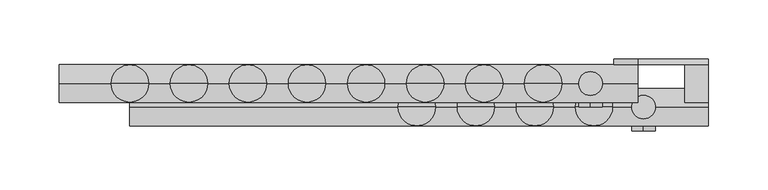
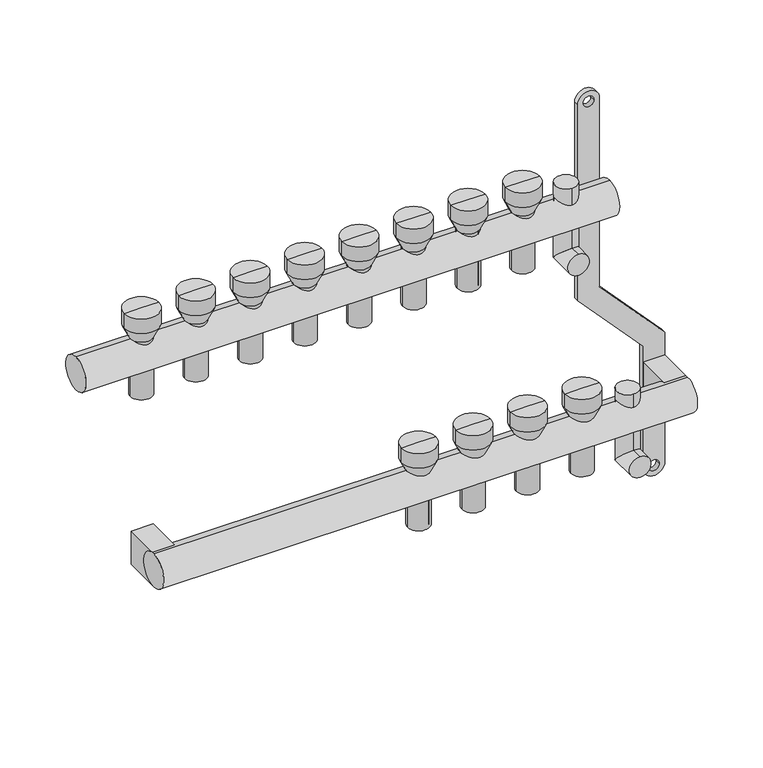
"""IFC4 building model written with IfcOpenShell, lengths in millimetres: proxy geometry."""

from ifc_helpers import new_model, si_unit, point, frame, frame_2d, origin, origin_2d, place, context, project, spatial, polyline, circle_curve, ellipse_curve, trimmed, segment, composite_curve, outline, extrude, source, transform, mapped, element, save
from ifc_brep_helpers import plane_surface, cylinder_surface, revolved_surface, advanced_brep


def mechanical_equipment_47066f5f(model_context):
    return source(origin(), model_context, "Body", "SolidModel", [
        extrude(outline(composite_curve([segment(trimmed(circle_curve(frame_2d((86.2845679, 470.0)), 10.0), [point((86.2845679, 480.0))], [point((86.2845679, 460.0))], False, "CARTESIAN"), True, "CONTINUOUS"), segment(polyline([(86.2845679, 460.0), (-103.7138261, 460.0), (-169.0329221, 520.0), (-287.9537524, 520.0)]), True, "CONTINUOUS"), segment(trimmed(circle_curve(frame_2d((-287.9537524, 530.0)), 10.0), [point((-287.9537524, 520.0))], [point((-287.9537524, 540.0))], False, "CARTESIAN"), True, "CONTINUOUS"), segment(polyline([(-287.9537524, 540.0), (-162.5345282, 540.0), (-97.2154321, 480.0), (86.2845679, 480.0)]), True, "CONTINUOUS")], self_intersect=False), holes=[composite_curve([segment(trimmed(circle_curve(frame_2d((86.2845679, 470.0)), 5.0), [point((86.2845679, 465.0))], [point((86.2845679, 475.0))], True, "CARTESIAN"), True, "CONTINUOUS"), segment(trimmed(circle_curve(frame_2d((86.2845679, 470.0)), 5.0), [point((86.2845679, 475.0))], [point((86.2845679, 465.0))], True, "CARTESIAN"), True, "CONTINUOUS")], self_intersect=False), composite_curve([segment(trimmed(circle_curve(frame_2d((-287.9537524, 530.0)), 5.0), [point((-287.9537524, 525.0))], [point((-287.9537524, 535.0))], True, "CARTESIAN"), True, "CONTINUOUS"), segment(trimmed(circle_curve(frame_2d((-287.9537524, 530.0)), 5.0), [point((-287.9537524, 535.0))], [point((-287.9537524, 525.0))], True, "CARTESIAN"), True, "CONTINUOUS")], self_intersect=False)]), frame((0.0, 16.0, 0.0), z_axis=(0.0, 1.0, 0.0), x_axis=(0.0, 0.0, 1.0)), (0.0, 0.0, 1.0), 4.847249),
        advanced_brep(
        [(485.0, -40.0, -250.0), (485.0, -40.0, -230.0), (485.0, -10.0, -250.0), (485.0, -30.0, -230.0), (485.0, -10.0, -175.079492), (485.0, -30.0, -175.079492)],
        [
            (0, 1, circle_curve(frame((485.0, -40.0, -240.0), z_axis=(0.0, -1.0, 0.0), x_axis=(0.0, 0.0, 1.0)), 10.0)),
            (1, 0, circle_curve(frame((485.0, -40.0, -240.0), z_axis=(0.0, -1.0, 0.0), x_axis=(0.0, 0.0, 1.0)), 10.0)),
            (0, 2),
            (2, 3, ellipse_curve(frame((485.0, -20.0, -240.0), z_axis=(0.0, -0.7071067811865475, -0.7071067811865475), x_axis=(0.0, -0.7071067811865476, 0.7071067811865474)), 14.1421356, 10.0)),
            (3, 1),
            (3, 2, ellipse_curve(frame((485.0, -20.0, -240.0), z_axis=(0.0, -0.7071067811865475, -0.7071067811865475), x_axis=(0.0, -0.7071067811865476, 0.7071067811865474)), 14.1421356, 10.0)),
            (4, 5, circle_curve(frame((485.0, -20.0, -175.079492), z_axis=(0.0, 0.0, 1.0), x_axis=(0.0, -1.0, 0.0)), 10.0)),
            (5, 4, circle_curve(frame((485.0, -20.0, -175.079492), z_axis=(0.0, 0.0, 1.0), x_axis=(0.0, -1.0, 0.0)), 10.0)),
            (2, 4),
            (5, 3),
        ],
        [
            plane_surface(frame((485.0, -40.0, -240.0), z_axis=(0.0, -1.0, 0.0), x_axis=(1.0, 0.0, 0.0))),
            cylinder_surface(frame((485.0, -40.0, -240.0), z_axis=(0.0, -1.0, 0.0), x_axis=(0.0, 0.0, 1.0)), 10.0),
            plane_surface(frame((485.0, -20.0, -175.079492), z_axis=(0.0, 0.0, 1.0), x_axis=(1.0, 0.0, 0.0))),
            cylinder_surface(frame((485.0, -20.0, -240.0), z_axis=(0.0, 0.0, -1.0), x_axis=(0.0, -1.0, 0.0)), 10.0),
        ],
        [
            (0, [[1, 2]]),
            (1, [[-1, 3, 4, 5]]),
            (1, [[-2, -5, 6, -3]]),
            (2, [[7, 8]]),
            (3, [[-4, 9, -8, 10]]),
            (3, [[-6, -10, -7, -9]]),
        ],
    ),
        advanced_brep(
        [(440.0, -20.0, -50.0), (440.0, -20.0, -30.0), (440.0, 10.0, -50.0), (440.0, -10.0, -30.0), (440.0, 10.0, 28.420508), (440.0, -10.0, 28.420508)],
        [
            (0, 1, circle_curve(frame((440.0, -20.0, -40.0), z_axis=(0.0, -1.0, 0.0), x_axis=(0.0, 0.0, 1.0)), 10.0)),
            (1, 0, circle_curve(frame((440.0, -20.0, -40.0), z_axis=(0.0, -1.0, 0.0), x_axis=(0.0, 0.0, 1.0)), 10.0)),
            (0, 2),
            (2, 3, ellipse_curve(frame((440.0, 0.0, -40.0), z_axis=(0.0, -0.7071067811865486, -0.7071067811865464), x_axis=(0.0, -0.7071067811865466, 0.7071067811865485)), 14.1421356, 10.0)),
            (3, 1),
            (3, 2, ellipse_curve(frame((440.0, 0.0, -40.0), z_axis=(0.0, -0.7071067811865486, -0.7071067811865464), x_axis=(0.0, -0.7071067811865466, 0.7071067811865485)), 14.1421356, 10.0)),
            (4, 5, circle_curve(frame((440.0, 0.0, 28.420508), z_axis=(0.0, 0.0, 1.0), x_axis=(0.0, -1.0, 0.0)), 10.0)),
            (5, 4, circle_curve(frame((440.0, 0.0, 28.420508), z_axis=(0.0, 0.0, 1.0), x_axis=(0.0, -1.0, 0.0)), 10.0)),
            (2, 4),
            (5, 3),
        ],
        [
            plane_surface(frame((440.0, -20.0, -40.0), z_axis=(0.0, -1.0, 0.0), x_axis=(1.0, 0.0, 0.0))),
            cylinder_surface(frame((440.0, -20.0, -40.0), z_axis=(0.0, -1.0, 0.0), x_axis=(0.0, 0.0, 1.0)), 10.0),
            plane_surface(frame((440.0, 0.0, 28.420508), z_axis=(0.0, 0.0, 1.0), x_axis=(1.0, 0.0, 0.0))),
            cylinder_surface(frame((440.0, 0.0, -40.0), z_axis=(0.0, 0.0, -1.0), x_axis=(0.0, -1.0, 0.0)), 10.0),
        ],
        [
            (0, [[1, 2]]),
            (1, [[-1, 3, 4, 5]]),
            (1, [[-2, -5, 6, -3]]),
            (2, [[7, 8]]),
            (3, [[-4, 9, -8, 10]]),
            (3, [[-6, -10, -7, -9]]),
        ],
    ),
        extrude(outline(composite_curve([segment(trimmed(circle_curve(frame_2d((-20.0, -200.0)), 16.0), [point((-20.0, -216.0))], [point((-20.0, -184.0))], False, "CARTESIAN"), True, "CONTINUOUS"), segment(trimmed(circle_curve(frame_2d((-20.0, -200.0)), 16.0), [point((-20.0, -184.0))], [point((-20.0, -216.0))], False, "CARTESIAN"), True, "CONTINUOUS")], self_intersect=False)), frame((50.0, 0.0, 0.0), z_axis=(1.0, 0.0, 0.0), x_axis=(0.0, 1.0, 0.0)), (0.0, 0.0, 1.0), 490.0),
        extrude(outline(composite_curve([segment(trimmed(circle_curve(origin_2d(), 16.0), [point((0.0, -16.0))], [point((0.0, 16.0))], False, "CARTESIAN"), True, "CONTINUOUS"), segment(trimmed(circle_curve(origin_2d(), 16.0), [point((0.0, 16.0))], [point((0.0, -16.0))], False, "CARTESIAN"), True, "CONTINUOUS")], self_intersect=False)), frame((-10.0, 0.0, 0.0), z_axis=(1.0, 0.0, 0.0), x_axis=(0.0, 1.0, 0.0)), (0.0, 0.0, 1.0), 490.0),
        extrude(outline(polyline([(540.0, 16.0), (540.0, -20.0), (520.0, -20.0), (520.0, 16.0), (540.0, 16.0)])), frame((0.0, 0.0, -216.0), z_axis=(0.0, 0.0, 1.0), x_axis=(1.0, 0.0, 0.0)), (0.0, 0.0, 1.0), 32.0),
        extrude(outline(polyline([(70.0, 16.0), (70.0, -20.0), (50.0, -20.0), (50.0, 16.0), (70.0, 16.0)])), frame((0.0, 0.0, -216.0), z_axis=(0.0, 0.0, 1.0), x_axis=(1.0, 0.0, 0.0)), (0.0, 0.0, 1.0), 32.0),
        advanced_brep(
        [(408.0, 0.0, -40.0), (392.0, 0.0, -40.0), (392.0, 0.0, 16.0), (408.0, 0.0, 16.0), (410.0, 0.0, -40.0), (390.0, 0.0, -40.0), (410.0, 0.0, 16.0), (390.0, 0.0, 16.0), (415.791778, 0.0, 28.420508), (384.208222, 0.0, 28.420508), (415.791778, 0.0, 42.4712727), (384.208222, 0.0, 42.4712727), (400.0, 0.0, 42.4712727), (400.0, 0.0, 16.0)],
        [
            (0, 1, circle_curve(frame((400.0, 0.0, -40.0), z_axis=(0.0, 0.0, -1.0), x_axis=(-1.0, 0.0, 0.0)), 8.0)),
            (1, 2),
            (2, 3, circle_curve(frame((400.0, 0.0, 16.0), z_axis=(0.0, 0.0, 1.0), x_axis=(-1.0, 0.0, 0.0)), 8.0)),
            (3, 0),
            (1, 0, circle_curve(frame((400.0, 0.0, -40.0), z_axis=(0.0, 0.0, -1.0), x_axis=(-1.0, 0.0, 0.0)), 8.0)),
            (3, 2, circle_curve(frame((400.0, 0.0, 16.0), z_axis=(0.0, 0.0, 1.0), x_axis=(-1.0, 0.0, 0.0)), 8.0)),
            (4, 5, circle_curve(frame((400.0, 0.0, -40.0), z_axis=(0.0, 0.0, -1.0), x_axis=(-1.0, 0.0, 0.0)), 10.0)),
            (5, 1),
            (0, 4),
            (5, 4, circle_curve(frame((400.0, 0.0, -40.0), z_axis=(0.0, 0.0, -1.0), x_axis=(-1.0, 0.0, 0.0)), 10.0)),
            (6, 7, circle_curve(frame((400.0, 0.0, 16.0), z_axis=(0.0, 0.0, -1.0), x_axis=(-1.0, 0.0, 0.0)), 10.0)),
            (7, 5),
            (4, 6),
            (7, 6, circle_curve(frame((400.0, 0.0, 16.0), z_axis=(0.0, 0.0, -1.0), x_axis=(-1.0, 0.0, 0.0)), 10.0)),
            (8, 9, circle_curve(frame((400.0, 0.0, 28.420508), z_axis=(0.0, 0.0, -1.0), x_axis=(-1.0, 0.0, 0.0)), 15.791778)),
            (9, 7),
            (6, 8),
            (9, 8, circle_curve(frame((400.0, 0.0, 28.420508), z_axis=(0.0, 0.0, -1.0), x_axis=(-1.0, 0.0, 0.0)), 15.791778)),
            (10, 11, circle_curve(frame((400.0, 0.0, 42.4712727), z_axis=(0.0, 0.0, -1.0), x_axis=(-1.0, 0.0, 0.0)), 15.791778)),
            (11, 9),
            (8, 10),
            (11, 10, circle_curve(frame((400.0, 0.0, 42.4712727), z_axis=(0.0, 0.0, -1.0), x_axis=(-1.0, 0.0, 0.0)), 15.791778)),
            (12, 11),
            (10, 12),
            (2, 13),
            (13, 3),
        ],
        [
            revolved_surface(polyline([(392.0, 0.0, 16.0), (392.0, 0.0, -40.0)]), (400.0, 0.0, 0.0), (0.0, 0.0, 1.0)),
            plane_surface(frame((400.0, 0.0, -40.0), z_axis=(0.0, 0.0, -1.0), x_axis=(-1.0, 0.0, 0.0))),
            cylinder_surface(frame((400.0, 0.0, 0.0), z_axis=(0.0, 0.0, 1.0), x_axis=(-1.0, 0.0, 0.0)), 10.0),
            revolved_surface(polyline([(390.0, 0.0, 16.0), (384.208222, 0.0, 28.420508)]), (400.0, 0.0, 0.0), (0.0, 0.0, 1.0)),
            cylinder_surface(frame((400.0, 0.0, 0.0), z_axis=(0.0, 0.0, 1.0), x_axis=(-1.0, 0.0, 0.0)), 15.791778),
            plane_surface(frame((400.0, 0.0, 42.4712727), z_axis=(0.0, 0.0, 1.0), x_axis=(-1.0, 0.0, 0.0))),
            plane_surface(frame((400.0, 0.0, 16.0), z_axis=(0.0, 0.0, -1.0), x_axis=(-1.0, 0.0, 0.0))),
        ],
        [
            (0, [[1, 2, 3, 4]]),
            (0, [[5, -4, 6, -2]]),
            (1, [[7, 8, -1, 9]]),
            (1, [[10, -9, -5, -8]]),
            (2, [[11, 12, -7, 13]]),
            (2, [[14, -13, -10, -12]]),
            (3, [[15, 16, -11, 17]]),
            (3, [[18, -17, -14, -16]]),
            (4, [[19, 20, -15, 21]]),
            (4, [[22, -21, -18, -20]]),
            (5, [[23, -19, 24]]),
            (5, [[-24, -22, -23]]),
            (6, [[-3, 25, 26]]),
            (6, [[-6, -26, -25]]),
        ],
    ),
        advanced_brep(
        [(358.0, 0.0, -40.0), (342.0, 0.0, -40.0), (342.0, 0.0, 16.0), (358.0, 0.0, 16.0), (360.0, 0.0, -40.0), (340.0, 0.0, -40.0), (360.0, 0.0, 16.0), (340.0, 0.0, 16.0), (365.791778, 0.0, 28.420508), (334.208222, 0.0, 28.420508), (365.791778, 0.0, 42.4712727), (334.208222, 0.0, 42.4712727), (350.0, 0.0, 42.4712727), (350.0, 0.0, 16.0)],
        [
            (0, 1, circle_curve(frame((350.0, 0.0, -40.0), z_axis=(0.0, 0.0, -1.0), x_axis=(-1.0, 0.0, 0.0)), 8.0)),
            (1, 2),
            (2, 3, circle_curve(frame((350.0, 0.0, 16.0), z_axis=(0.0, 0.0, 1.0), x_axis=(-1.0, 0.0, 0.0)), 8.0)),
            (3, 0),
            (1, 0, circle_curve(frame((350.0, 0.0, -40.0), z_axis=(0.0, 0.0, -1.0), x_axis=(-1.0, 0.0, 0.0)), 8.0)),
            (3, 2, circle_curve(frame((350.0, 0.0, 16.0), z_axis=(0.0, 0.0, 1.0), x_axis=(-1.0, 0.0, 0.0)), 8.0)),
            (4, 5, circle_curve(frame((350.0, 0.0, -40.0), z_axis=(0.0, 0.0, -1.0), x_axis=(-1.0, 0.0, 0.0)), 10.0)),
            (5, 1),
            (0, 4),
            (5, 4, circle_curve(frame((350.0, 0.0, -40.0), z_axis=(0.0, 0.0, -1.0), x_axis=(-1.0, 0.0, 0.0)), 10.0)),
            (6, 7, circle_curve(frame((350.0, 0.0, 16.0), z_axis=(0.0, 0.0, -1.0), x_axis=(-1.0, 0.0, 0.0)), 10.0)),
            (7, 5),
            (4, 6),
            (7, 6, circle_curve(frame((350.0, 0.0, 16.0), z_axis=(0.0, 0.0, -1.0), x_axis=(-1.0, 0.0, 0.0)), 10.0)),
            (8, 9, circle_curve(frame((350.0, 0.0, 28.420508), z_axis=(0.0, 0.0, -1.0), x_axis=(-1.0, 0.0, 0.0)), 15.791778)),
            (9, 7),
            (6, 8),
            (9, 8, circle_curve(frame((350.0, 0.0, 28.420508), z_axis=(0.0, 0.0, -1.0), x_axis=(-1.0, 0.0, 0.0)), 15.791778)),
            (10, 11, circle_curve(frame((350.0, 0.0, 42.4712727), z_axis=(0.0, 0.0, -1.0), x_axis=(-1.0, 0.0, 0.0)), 15.791778)),
            (11, 9),
            (8, 10),
            (11, 10, circle_curve(frame((350.0, 0.0, 42.4712727), z_axis=(0.0, 0.0, -1.0), x_axis=(-1.0, 0.0, 0.0)), 15.791778)),
            (12, 11),
            (10, 12),
            (2, 13),
            (13, 3),
        ],
        [
            revolved_surface(polyline([(342.0, 0.0, 16.0), (342.0, 0.0, -40.0)]), (350.0, 0.0, 0.0), (0.0, 0.0, 1.0)),
            plane_surface(frame((350.0, 0.0, -40.0), z_axis=(0.0, 0.0, -1.0), x_axis=(-1.0, 0.0, 0.0))),
            cylinder_surface(frame((350.0, 0.0, 0.0), z_axis=(0.0, 0.0, 1.0), x_axis=(-1.0, 0.0, 0.0)), 10.0),
            revolved_surface(polyline([(340.0, 0.0, 16.0), (334.208222, 0.0, 28.420508)]), (350.0, 0.0, 0.0), (0.0, 0.0, 1.0)),
            cylinder_surface(frame((350.0, 0.0, 0.0), z_axis=(0.0, 0.0, 1.0), x_axis=(-1.0, 0.0, 0.0)), 15.791778),
            plane_surface(frame((350.0, 0.0, 42.4712727), z_axis=(0.0, 0.0, 1.0), x_axis=(-1.0, 0.0, 0.0))),
            plane_surface(frame((350.0, 0.0, 16.0), z_axis=(0.0, 0.0, -1.0), x_axis=(-1.0, 0.0, 0.0))),
        ],
        [
            (0, [[1, 2, 3, 4]]),
            (0, [[5, -4, 6, -2]]),
            (1, [[7, 8, -1, 9]]),
            (1, [[10, -9, -5, -8]]),
            (2, [[11, 12, -7, 13]]),
            (2, [[14, -13, -10, -12]]),
            (3, [[15, 16, -11, 17]]),
            (3, [[18, -17, -14, -16]]),
            (4, [[19, 20, -15, 21]]),
            (4, [[22, -21, -18, -20]]),
            (5, [[23, -19, 24]]),
            (5, [[-24, -22, -23]]),
            (6, [[-3, 25, 26]]),
            (6, [[-6, -26, -25]]),
        ],
    ),
        advanced_brep(
        [(308.0, 0.0, -40.0), (292.0, 0.0, -40.0), (292.0, 0.0, 16.0), (308.0, 0.0, 16.0), (310.0, 0.0, -40.0), (290.0, 0.0, -40.0), (310.0, 0.0, 16.0), (290.0, 0.0, 16.0), (315.791778, 0.0, 28.420508), (284.208222, 0.0, 28.420508), (315.791778, 0.0, 42.4712727), (284.208222, 0.0, 42.4712727), (300.0, 0.0, 42.4712727), (300.0, 0.0, 16.0)],
        [
            (0, 1, circle_curve(frame((300.0, 0.0, -40.0), z_axis=(0.0, 0.0, -1.0), x_axis=(-1.0, 0.0, 0.0)), 8.0)),
            (1, 2),
            (2, 3, circle_curve(frame((300.0, 0.0, 16.0), z_axis=(0.0, 0.0, 1.0), x_axis=(-1.0, 0.0, 0.0)), 8.0)),
            (3, 0),
            (1, 0, circle_curve(frame((300.0, 0.0, -40.0), z_axis=(0.0, 0.0, -1.0), x_axis=(-1.0, 0.0, 0.0)), 8.0)),
            (3, 2, circle_curve(frame((300.0, 0.0, 16.0), z_axis=(0.0, 0.0, 1.0), x_axis=(-1.0, 0.0, 0.0)), 8.0)),
            (4, 5, circle_curve(frame((300.0, 0.0, -40.0), z_axis=(0.0, 0.0, -1.0), x_axis=(-1.0, 0.0, 0.0)), 10.0)),
            (5, 1),
            (0, 4),
            (5, 4, circle_curve(frame((300.0, 0.0, -40.0), z_axis=(0.0, 0.0, -1.0), x_axis=(-1.0, 0.0, 0.0)), 10.0)),
            (6, 7, circle_curve(frame((300.0, 0.0, 16.0), z_axis=(0.0, 0.0, -1.0), x_axis=(-1.0, 0.0, 0.0)), 10.0)),
            (7, 5),
            (4, 6),
            (7, 6, circle_curve(frame((300.0, 0.0, 16.0), z_axis=(0.0, 0.0, -1.0), x_axis=(-1.0, 0.0, 0.0)), 10.0)),
            (8, 9, circle_curve(frame((300.0, 0.0, 28.420508), z_axis=(0.0, 0.0, -1.0), x_axis=(-1.0, 0.0, 0.0)), 15.791778)),
            (9, 7),
            (6, 8),
            (9, 8, circle_curve(frame((300.0, 0.0, 28.420508), z_axis=(0.0, 0.0, -1.0), x_axis=(-1.0, 0.0, 0.0)), 15.791778)),
            (10, 11, circle_curve(frame((300.0, 0.0, 42.4712727), z_axis=(0.0, 0.0, -1.0), x_axis=(-1.0, 0.0, 0.0)), 15.791778)),
            (11, 9),
            (8, 10),
            (11, 10, circle_curve(frame((300.0, 0.0, 42.4712727), z_axis=(0.0, 0.0, -1.0), x_axis=(-1.0, 0.0, 0.0)), 15.791778)),
            (12, 11),
            (10, 12),
            (2, 13),
            (13, 3),
        ],
        [
            revolved_surface(polyline([(292.0, 0.0, 16.0), (292.0, 0.0, -40.0)]), (300.0, 0.0, 0.0), (0.0, 0.0, 1.0)),
            plane_surface(frame((300.0, 0.0, -40.0), z_axis=(0.0, 0.0, -1.0), x_axis=(-1.0, 0.0, 0.0))),
            cylinder_surface(frame((300.0, 0.0, 0.0), z_axis=(0.0, 0.0, 1.0), x_axis=(-1.0, 0.0, 0.0)), 10.0),
            revolved_surface(polyline([(290.0, 0.0, 16.0), (284.208222, 0.0, 28.420508)]), (300.0, 0.0, 0.0), (0.0, 0.0, 1.0)),
            cylinder_surface(frame((300.0, 0.0, 0.0), z_axis=(0.0, 0.0, 1.0), x_axis=(-1.0, 0.0, 0.0)), 15.791778),
            plane_surface(frame((300.0, 0.0, 42.4712727), z_axis=(0.0, 0.0, 1.0), x_axis=(-1.0, 0.0, 0.0))),
            plane_surface(frame((300.0, 0.0, 16.0), z_axis=(0.0, 0.0, -1.0), x_axis=(-1.0, 0.0, 0.0))),
        ],
        [
            (0, [[1, 2, 3, 4]]),
            (0, [[5, -4, 6, -2]]),
            (1, [[7, 8, -1, 9]]),
            (1, [[10, -9, -5, -8]]),
            (2, [[11, 12, -7, 13]]),
            (2, [[14, -13, -10, -12]]),
            (3, [[15, 16, -11, 17]]),
            (3, [[18, -17, -14, -16]]),
            (4, [[19, 20, -15, 21]]),
            (4, [[22, -21, -18, -20]]),
            (5, [[23, -19, 24]]),
            (5, [[-24, -22, -23]]),
            (6, [[-3, 25, 26]]),
            (6, [[-6, -26, -25]]),
        ],
    ),
        advanced_brep(
        [(258.0, 0.0, -40.0), (242.0, 0.0, -40.0), (242.0, 0.0, 16.0), (258.0, 0.0, 16.0), (260.0, 0.0, -40.0), (240.0, 0.0, -40.0), (260.0, 0.0, 16.0), (240.0, 0.0, 16.0), (265.791778, 0.0, 28.420508), (234.208222, 0.0, 28.420508), (265.791778, 0.0, 42.4712727), (234.208222, 0.0, 42.4712727), (250.0, 0.0, 42.4712727), (250.0, 0.0, 16.0)],
        [
            (0, 1, circle_curve(frame((250.0, 0.0, -40.0), z_axis=(0.0, 0.0, -1.0), x_axis=(-1.0, 0.0, 0.0)), 8.0)),
            (1, 2),
            (2, 3, circle_curve(frame((250.0, 0.0, 16.0), z_axis=(0.0, 0.0, 1.0), x_axis=(-1.0, 0.0, 0.0)), 8.0)),
            (3, 0),
            (1, 0, circle_curve(frame((250.0, 0.0, -40.0), z_axis=(0.0, 0.0, -1.0), x_axis=(-1.0, 0.0, 0.0)), 8.0)),
            (3, 2, circle_curve(frame((250.0, 0.0, 16.0), z_axis=(0.0, 0.0, 1.0), x_axis=(-1.0, 0.0, 0.0)), 8.0)),
            (4, 5, circle_curve(frame((250.0, 0.0, -40.0), z_axis=(0.0, 0.0, -1.0), x_axis=(-1.0, 0.0, 0.0)), 10.0)),
            (5, 1),
            (0, 4),
            (5, 4, circle_curve(frame((250.0, 0.0, -40.0), z_axis=(0.0, 0.0, -1.0), x_axis=(-1.0, 0.0, 0.0)), 10.0)),
            (6, 7, circle_curve(frame((250.0, 0.0, 16.0), z_axis=(0.0, 0.0, -1.0), x_axis=(-1.0, 0.0, 0.0)), 10.0)),
            (7, 5),
            (4, 6),
            (7, 6, circle_curve(frame((250.0, 0.0, 16.0), z_axis=(0.0, 0.0, -1.0), x_axis=(-1.0, 0.0, 0.0)), 10.0)),
            (8, 9, circle_curve(frame((250.0, 0.0, 28.420508), z_axis=(0.0, 0.0, -1.0), x_axis=(-1.0, 0.0, 0.0)), 15.791778)),
            (9, 7),
            (6, 8),
            (9, 8, circle_curve(frame((250.0, 0.0, 28.420508), z_axis=(0.0, 0.0, -1.0), x_axis=(-1.0, 0.0, 0.0)), 15.791778)),
            (10, 11, circle_curve(frame((250.0, 0.0, 42.4712727), z_axis=(0.0, 0.0, -1.0), x_axis=(-1.0, 0.0, 0.0)), 15.791778)),
            (11, 9),
            (8, 10),
            (11, 10, circle_curve(frame((250.0, 0.0, 42.4712727), z_axis=(0.0, 0.0, -1.0), x_axis=(-1.0, 0.0, 0.0)), 15.791778)),
            (12, 11),
            (10, 12),
            (2, 13),
            (13, 3),
        ],
        [
            revolved_surface(polyline([(242.0, 0.0, 16.0), (242.0, 0.0, -40.0)]), (250.0, 0.0, 0.0), (0.0, 0.0, 1.0)),
            plane_surface(frame((250.0, 0.0, -40.0), z_axis=(0.0, 0.0, -1.0), x_axis=(-1.0, 0.0, 0.0))),
            cylinder_surface(frame((250.0, 0.0, 0.0), z_axis=(0.0, 0.0, 1.0), x_axis=(-1.0, 0.0, 0.0)), 10.0),
            revolved_surface(polyline([(240.0, 0.0, 16.0), (234.208222, 0.0, 28.420508)]), (250.0, 0.0, 0.0), (0.0, 0.0, 1.0)),
            cylinder_surface(frame((250.0, 0.0, 0.0), z_axis=(0.0, 0.0, 1.0), x_axis=(-1.0, 0.0, 0.0)), 15.791778),
            plane_surface(frame((250.0, 0.0, 42.4712727), z_axis=(0.0, 0.0, 1.0), x_axis=(-1.0, 0.0, 0.0))),
            plane_surface(frame((250.0, 0.0, 16.0), z_axis=(0.0, 0.0, -1.0), x_axis=(-1.0, 0.0, 0.0))),
        ],
        [
            (0, [[1, 2, 3, 4]]),
            (0, [[5, -4, 6, -2]]),
            (1, [[7, 8, -1, 9]]),
            (1, [[10, -9, -5, -8]]),
            (2, [[11, 12, -7, 13]]),
            (2, [[14, -13, -10, -12]]),
            (3, [[15, 16, -11, 17]]),
            (3, [[18, -17, -14, -16]]),
            (4, [[19, 20, -15, 21]]),
            (4, [[22, -21, -18, -20]]),
            (5, [[23, -19, 24]]),
            (5, [[-24, -22, -23]]),
            (6, [[-3, 25, 26]]),
            (6, [[-6, -26, -25]]),
        ],
    ),
        advanced_brep(
        [(208.0, 0.0, -40.0), (192.0, 0.0, -40.0), (192.0, 0.0, 16.0), (208.0, 0.0, 16.0), (210.0, 0.0, -40.0), (190.0, 0.0, -40.0), (210.0, 0.0, 16.0), (190.0, 0.0, 16.0), (215.791778, 0.0, 28.420508), (184.208222, 0.0, 28.420508), (215.791778, 0.0, 42.4712727), (184.208222, 0.0, 42.4712727), (200.0, 0.0, 42.4712727), (200.0, 0.0, 16.0)],
        [
            (0, 1, circle_curve(frame((200.0, 0.0, -40.0), z_axis=(0.0, 0.0, -1.0), x_axis=(-1.0, 0.0, 0.0)), 8.0)),
            (1, 2),
            (2, 3, circle_curve(frame((200.0, 0.0, 16.0), z_axis=(0.0, 0.0, 1.0), x_axis=(-1.0, 0.0, 0.0)), 8.0)),
            (3, 0),
            (1, 0, circle_curve(frame((200.0, 0.0, -40.0), z_axis=(0.0, 0.0, -1.0), x_axis=(-1.0, 0.0, 0.0)), 8.0)),
            (3, 2, circle_curve(frame((200.0, 0.0, 16.0), z_axis=(0.0, 0.0, 1.0), x_axis=(-1.0, 0.0, 0.0)), 8.0)),
            (4, 5, circle_curve(frame((200.0, 0.0, -40.0), z_axis=(0.0, 0.0, -1.0), x_axis=(-1.0, 0.0, 0.0)), 10.0)),
            (5, 1),
            (0, 4),
            (5, 4, circle_curve(frame((200.0, 0.0, -40.0), z_axis=(0.0, 0.0, -1.0), x_axis=(-1.0, 0.0, 0.0)), 10.0)),
            (6, 7, circle_curve(frame((200.0, 0.0, 16.0), z_axis=(0.0, 0.0, -1.0), x_axis=(-1.0, 0.0, 0.0)), 10.0)),
            (7, 5),
            (4, 6),
            (7, 6, circle_curve(frame((200.0, 0.0, 16.0), z_axis=(0.0, 0.0, -1.0), x_axis=(-1.0, 0.0, 0.0)), 10.0)),
            (8, 9, circle_curve(frame((200.0, 0.0, 28.420508), z_axis=(0.0, 0.0, -1.0), x_axis=(-1.0, 0.0, 0.0)), 15.791778)),
            (9, 7),
            (6, 8),
            (9, 8, circle_curve(frame((200.0, 0.0, 28.420508), z_axis=(0.0, 0.0, -1.0), x_axis=(-1.0, 0.0, 0.0)), 15.791778)),
            (10, 11, circle_curve(frame((200.0, 0.0, 42.4712727), z_axis=(0.0, 0.0, -1.0), x_axis=(-1.0, 0.0, 0.0)), 15.791778)),
            (11, 9),
            (8, 10),
            (11, 10, circle_curve(frame((200.0, 0.0, 42.4712727), z_axis=(0.0, 0.0, -1.0), x_axis=(-1.0, 0.0, 0.0)), 15.791778)),
            (12, 11),
            (10, 12),
            (2, 13),
            (13, 3),
        ],
        [
            revolved_surface(polyline([(192.0, 0.0, 16.0), (192.0, 0.0, -40.0)]), (200.0, 0.0, 0.0), (0.0, 0.0, 1.0)),
            plane_surface(frame((200.0, 0.0, -40.0), z_axis=(0.0, 0.0, -1.0), x_axis=(-1.0, 0.0, 0.0))),
            cylinder_surface(frame((200.0, 0.0, 0.0), z_axis=(0.0, 0.0, 1.0), x_axis=(-1.0, 0.0, 0.0)), 10.0),
            revolved_surface(polyline([(190.0, 0.0, 16.0), (184.208222, 0.0, 28.420508)]), (200.0, 0.0, 0.0), (0.0, 0.0, 1.0)),
            cylinder_surface(frame((200.0, 0.0, 0.0), z_axis=(0.0, 0.0, 1.0), x_axis=(-1.0, 0.0, 0.0)), 15.791778),
            plane_surface(frame((200.0, 0.0, 42.4712727), z_axis=(0.0, 0.0, 1.0), x_axis=(-1.0, 0.0, 0.0))),
            plane_surface(frame((200.0, 0.0, 16.0), z_axis=(0.0, 0.0, -1.0), x_axis=(-1.0, 0.0, 0.0))),
        ],
        [
            (0, [[1, 2, 3, 4]]),
            (0, [[5, -4, 6, -2]]),
            (1, [[7, 8, -1, 9]]),
            (1, [[10, -9, -5, -8]]),
            (2, [[11, 12, -7, 13]]),
            (2, [[14, -13, -10, -12]]),
            (3, [[15, 16, -11, 17]]),
            (3, [[18, -17, -14, -16]]),
            (4, [[19, 20, -15, 21]]),
            (4, [[22, -21, -18, -20]]),
            (5, [[23, -19, 24]]),
            (5, [[-24, -22, -23]]),
            (6, [[-3, 25, 26]]),
            (6, [[-6, -26, -25]]),
        ],
    ),
        advanced_brep(
        [(158.0, 0.0, -40.0), (142.0, 0.0, -40.0), (142.0, 0.0, 16.0), (158.0, 0.0, 16.0), (160.0, 0.0, -40.0), (140.0, 0.0, -40.0), (160.0, 0.0, 16.0), (140.0, 0.0, 16.0), (165.791778, 0.0, 28.420508), (134.208222, 0.0, 28.420508), (165.791778, 0.0, 42.4712727), (134.208222, 0.0, 42.4712727), (150.0, 0.0, 42.4712727), (150.0, 0.0, 16.0)],
        [
            (0, 1, circle_curve(frame((150.0, 0.0, -40.0), z_axis=(0.0, 0.0, -1.0), x_axis=(-1.0, 0.0, 0.0)), 8.0)),
            (1, 2),
            (2, 3, circle_curve(frame((150.0, 0.0, 16.0), z_axis=(0.0, 0.0, 1.0), x_axis=(-1.0, 0.0, 0.0)), 8.0)),
            (3, 0),
            (1, 0, circle_curve(frame((150.0, 0.0, -40.0), z_axis=(0.0, 0.0, -1.0), x_axis=(-1.0, 0.0, 0.0)), 8.0)),
            (3, 2, circle_curve(frame((150.0, 0.0, 16.0), z_axis=(0.0, 0.0, 1.0), x_axis=(-1.0, 0.0, 0.0)), 8.0)),
            (4, 5, circle_curve(frame((150.0, 0.0, -40.0), z_axis=(0.0, 0.0, -1.0), x_axis=(-1.0, 0.0, 0.0)), 10.0)),
            (5, 1),
            (0, 4),
            (5, 4, circle_curve(frame((150.0, 0.0, -40.0), z_axis=(0.0, 0.0, -1.0), x_axis=(-1.0, 0.0, 0.0)), 10.0)),
            (6, 7, circle_curve(frame((150.0, 0.0, 16.0), z_axis=(0.0, 0.0, -1.0), x_axis=(-1.0, 0.0, 0.0)), 10.0)),
            (7, 5),
            (4, 6),
            (7, 6, circle_curve(frame((150.0, 0.0, 16.0), z_axis=(0.0, 0.0, -1.0), x_axis=(-1.0, 0.0, 0.0)), 10.0)),
            (8, 9, circle_curve(frame((150.0, 0.0, 28.420508), z_axis=(0.0, 0.0, -1.0), x_axis=(-1.0, 0.0, 0.0)), 15.791778)),
            (9, 7),
            (6, 8),
            (9, 8, circle_curve(frame((150.0, 0.0, 28.420508), z_axis=(0.0, 0.0, -1.0), x_axis=(-1.0, 0.0, 0.0)), 15.791778)),
            (10, 11, circle_curve(frame((150.0, 0.0, 42.4712727), z_axis=(0.0, 0.0, -1.0), x_axis=(-1.0, 0.0, 0.0)), 15.791778)),
            (11, 9),
            (8, 10),
            (11, 10, circle_curve(frame((150.0, 0.0, 42.4712727), z_axis=(0.0, 0.0, -1.0), x_axis=(-1.0, 0.0, 0.0)), 15.791778)),
            (12, 11),
            (10, 12),
            (2, 13),
            (13, 3),
        ],
        [
            revolved_surface(polyline([(142.0, 0.0, 16.0), (142.0, 0.0, -40.0)]), (150.0, 0.0, 0.0), (0.0, 0.0, 1.0)),
            plane_surface(frame((150.0, 0.0, -40.0), z_axis=(0.0, 0.0, -1.0), x_axis=(-1.0, 0.0, 0.0))),
            cylinder_surface(frame((150.0, 0.0, 0.0), z_axis=(0.0, 0.0, 1.0), x_axis=(-1.0, 0.0, 0.0)), 10.0),
            revolved_surface(polyline([(140.0, 0.0, 16.0), (134.208222, 0.0, 28.420508)]), (150.0, 0.0, 0.0), (0.0, 0.0, 1.0)),
            cylinder_surface(frame((150.0, 0.0, 0.0), z_axis=(0.0, 0.0, 1.0), x_axis=(-1.0, 0.0, 0.0)), 15.791778),
            plane_surface(frame((150.0, 0.0, 42.4712727), z_axis=(0.0, 0.0, 1.0), x_axis=(-1.0, 0.0, 0.0))),
            plane_surface(frame((150.0, 0.0, 16.0), z_axis=(0.0, 0.0, -1.0), x_axis=(-1.0, 0.0, 0.0))),
        ],
        [
            (0, [[1, 2, 3, 4]]),
            (0, [[5, -4, 6, -2]]),
            (1, [[7, 8, -1, 9]]),
            (1, [[10, -9, -5, -8]]),
            (2, [[11, 12, -7, 13]]),
            (2, [[14, -13, -10, -12]]),
            (3, [[15, 16, -11, 17]]),
            (3, [[18, -17, -14, -16]]),
            (4, [[19, 20, -15, 21]]),
            (4, [[22, -21, -18, -20]]),
            (5, [[23, -19, 24]]),
            (5, [[-24, -22, -23]]),
            (6, [[-3, 25, 26]]),
            (6, [[-6, -26, -25]]),
        ],
    ),
        advanced_brep(
        [(108.0, 0.0, -40.0), (92.0, 0.0, -40.0), (92.0, 0.0, 16.0), (108.0, 0.0, 16.0), (110.0, 0.0, -40.0), (90.0, 0.0, -40.0), (110.0, 0.0, 16.0), (90.0, 0.0, 16.0), (115.791778, 0.0, 28.420508), (84.208222, 0.0, 28.420508), (115.791778, 0.0, 42.4712727), (84.208222, 0.0, 42.4712727), (100.0, 0.0, 42.4712727), (100.0, 0.0, 16.0)],
        [
            (0, 1, circle_curve(frame((100.0, 0.0, -40.0), z_axis=(0.0, 0.0, -1.0), x_axis=(-1.0, 0.0, 0.0)), 8.0)),
            (1, 2),
            (2, 3, circle_curve(frame((100.0, 0.0, 16.0), z_axis=(0.0, 0.0, 1.0), x_axis=(-1.0, 0.0, 0.0)), 8.0)),
            (3, 0),
            (1, 0, circle_curve(frame((100.0, 0.0, -40.0), z_axis=(0.0, 0.0, -1.0), x_axis=(-1.0, 0.0, 0.0)), 8.0)),
            (3, 2, circle_curve(frame((100.0, 0.0, 16.0), z_axis=(0.0, 0.0, 1.0), x_axis=(-1.0, 0.0, 0.0)), 8.0)),
            (4, 5, circle_curve(frame((100.0, 0.0, -40.0), z_axis=(0.0, 0.0, -1.0), x_axis=(-1.0, 0.0, 0.0)), 10.0)),
            (5, 1),
            (0, 4),
            (5, 4, circle_curve(frame((100.0, 0.0, -40.0), z_axis=(0.0, 0.0, -1.0), x_axis=(-1.0, 0.0, 0.0)), 10.0)),
            (6, 7, circle_curve(frame((100.0, 0.0, 16.0), z_axis=(0.0, 0.0, -1.0), x_axis=(-1.0, 0.0, 0.0)), 10.0)),
            (7, 5),
            (4, 6),
            (7, 6, circle_curve(frame((100.0, 0.0, 16.0), z_axis=(0.0, 0.0, -1.0), x_axis=(-1.0, 0.0, 0.0)), 10.0)),
            (8, 9, circle_curve(frame((100.0, 0.0, 28.420508), z_axis=(0.0, 0.0, -1.0), x_axis=(-1.0, 0.0, 0.0)), 15.791778)),
            (9, 7),
            (6, 8),
            (9, 8, circle_curve(frame((100.0, 0.0, 28.420508), z_axis=(0.0, 0.0, -1.0), x_axis=(-1.0, 0.0, 0.0)), 15.791778)),
            (10, 11, circle_curve(frame((100.0, 0.0, 42.4712727), z_axis=(0.0, 0.0, -1.0), x_axis=(-1.0, 0.0, 0.0)), 15.791778)),
            (11, 9),
            (8, 10),
            (11, 10, circle_curve(frame((100.0, 0.0, 42.4712727), z_axis=(0.0, 0.0, -1.0), x_axis=(-1.0, 0.0, 0.0)), 15.791778)),
            (12, 11),
            (10, 12),
            (2, 13),
            (13, 3),
        ],
        [
            revolved_surface(polyline([(92.0, 0.0, 16.0), (92.0, 0.0, -40.0)]), (100.0, 0.0, 0.0), (0.0, 0.0, 1.0)),
            plane_surface(frame((100.0, 0.0, -40.0), z_axis=(0.0, 0.0, -1.0), x_axis=(-1.0, 0.0, 0.0))),
            cylinder_surface(frame((100.0, 0.0, 0.0), z_axis=(0.0, 0.0, 1.0), x_axis=(-1.0, 0.0, 0.0)), 10.0),
            revolved_surface(polyline([(90.0, 0.0, 16.0), (84.208222, 0.0, 28.420508)]), (100.0, 0.0, 0.0), (0.0, 0.0, 1.0)),
            cylinder_surface(frame((100.0, 0.0, 0.0), z_axis=(0.0, 0.0, 1.0), x_axis=(-1.0, 0.0, 0.0)), 15.791778),
            plane_surface(frame((100.0, 0.0, 42.4712727), z_axis=(0.0, 0.0, 1.0), x_axis=(-1.0, 0.0, 0.0))),
            plane_surface(frame((100.0, 0.0, 16.0), z_axis=(0.0, 0.0, -1.0), x_axis=(-1.0, 0.0, 0.0))),
        ],
        [
            (0, [[1, 2, 3, 4]]),
            (0, [[5, -4, 6, -2]]),
            (1, [[7, 8, -1, 9]]),
            (1, [[10, -9, -5, -8]]),
            (2, [[11, 12, -7, 13]]),
            (2, [[14, -13, -10, -12]]),
            (3, [[15, 16, -11, 17]]),
            (3, [[18, -17, -14, -16]]),
            (4, [[19, 20, -15, 21]]),
            (4, [[22, -21, -18, -20]]),
            (5, [[23, -19, 24]]),
            (5, [[-24, -22, -23]]),
            (6, [[-3, 25, 26]]),
            (6, [[-6, -26, -25]]),
        ],
    ),
        advanced_brep(
        [(58.0, 0.0, -40.0), (42.0, 0.0, -40.0), (42.0, 0.0, 16.0), (58.0, 0.0, 16.0), (60.0, 0.0, -40.0), (40.0, 0.0, -40.0), (60.0, 0.0, 16.0), (40.0, 0.0, 16.0), (65.791778, 0.0, 28.420508), (34.208222, 0.0, 28.420508), (65.791778, 0.0, 42.4712727), (34.208222, 0.0, 42.4712727), (50.0, 0.0, 42.4712727), (50.0, 0.0, 16.0)],
        [
            (0, 1, circle_curve(frame((50.0, 0.0, -40.0), z_axis=(0.0, 0.0, -1.0), x_axis=(-1.0, 0.0, 0.0)), 8.0)),
            (1, 2),
            (2, 3, circle_curve(frame((50.0, 0.0, 16.0), z_axis=(0.0, 0.0, 1.0), x_axis=(-1.0, 0.0, 0.0)), 8.0)),
            (3, 0),
            (1, 0, circle_curve(frame((50.0, 0.0, -40.0), z_axis=(0.0, 0.0, -1.0), x_axis=(-1.0, 0.0, 0.0)), 8.0)),
            (3, 2, circle_curve(frame((50.0, 0.0, 16.0), z_axis=(0.0, 0.0, 1.0), x_axis=(-1.0, 0.0, 0.0)), 8.0)),
            (4, 5, circle_curve(frame((50.0, 0.0, -40.0), z_axis=(0.0, 0.0, -1.0), x_axis=(-1.0, 0.0, 0.0)), 10.0)),
            (5, 1),
            (0, 4),
            (5, 4, circle_curve(frame((50.0, 0.0, -40.0), z_axis=(0.0, 0.0, -1.0), x_axis=(-1.0, 0.0, 0.0)), 10.0)),
            (6, 7, circle_curve(frame((50.0, 0.0, 16.0), z_axis=(0.0, 0.0, -1.0), x_axis=(-1.0, 0.0, 0.0)), 10.0)),
            (7, 5),
            (4, 6),
            (7, 6, circle_curve(frame((50.0, 0.0, 16.0), z_axis=(0.0, 0.0, -1.0), x_axis=(-1.0, 0.0, 0.0)), 10.0)),
            (8, 9, circle_curve(frame((50.0, 0.0, 28.420508), z_axis=(0.0, 0.0, -1.0), x_axis=(-1.0, 0.0, 0.0)), 15.791778)),
            (9, 7),
            (6, 8),
            (9, 8, circle_curve(frame((50.0, 0.0, 28.420508), z_axis=(0.0, 0.0, -1.0), x_axis=(-1.0, 0.0, 0.0)), 15.791778)),
            (10, 11, circle_curve(frame((50.0, 0.0, 42.4712727), z_axis=(0.0, 0.0, -1.0), x_axis=(-1.0, 0.0, 0.0)), 15.791778)),
            (11, 9),
            (8, 10),
            (11, 10, circle_curve(frame((50.0, 0.0, 42.4712727), z_axis=(0.0, 0.0, -1.0), x_axis=(-1.0, 0.0, 0.0)), 15.791778)),
            (12, 11),
            (10, 12),
            (2, 13),
            (13, 3),
        ],
        [
            revolved_surface(polyline([(42.0, 0.0, 16.0), (42.0, 0.0, -40.0)]), (50.0, 0.0, 0.0), (0.0, 0.0, 1.0)),
            plane_surface(frame((50.0, 0.0, -40.0), z_axis=(0.0, 0.0, -1.0), x_axis=(-1.0, 0.0, 0.0))),
            cylinder_surface(frame((50.0, 0.0, 0.0), z_axis=(0.0, 0.0, 1.0), x_axis=(-1.0, 0.0, 0.0)), 10.0),
            revolved_surface(polyline([(40.0, 0.0, 16.0), (34.208222, 0.0, 28.420508)]), (50.0, 0.0, 0.0), (0.0, 0.0, 1.0)),
            cylinder_surface(frame((50.0, 0.0, 0.0), z_axis=(0.0, 0.0, 1.0), x_axis=(-1.0, 0.0, 0.0)), 15.791778),
            plane_surface(frame((50.0, 0.0, 42.4712727), z_axis=(0.0, 0.0, 1.0), x_axis=(-1.0, 0.0, 0.0))),
            plane_surface(frame((50.0, 0.0, 16.0), z_axis=(0.0, 0.0, -1.0), x_axis=(-1.0, 0.0, 0.0))),
        ],
        [
            (0, [[1, 2, 3, 4]]),
            (0, [[5, -4, 6, -2]]),
            (1, [[7, 8, -1, 9]]),
            (1, [[10, -9, -5, -8]]),
            (2, [[11, 12, -7, 13]]),
            (2, [[14, -13, -10, -12]]),
            (3, [[15, 16, -11, 17]]),
            (3, [[18, -17, -14, -16]]),
            (4, [[19, 20, -15, 21]]),
            (4, [[22, -21, -18, -20]]),
            (5, [[23, -19, 24]]),
            (5, [[-24, -22, -23]]),
            (6, [[-3, 25, 26]]),
            (6, [[-6, -26, -25]]),
        ],
    ),
        advanced_brep(
        [(451.0, -20.0, -240.0), (435.0, -20.0, -240.0), (435.0, -20.0, -187.5), (451.0, -20.0, -187.5), (453.0, -20.0, -240.0), (433.0, -20.0, -240.0), (453.0, -20.0, -187.5), (433.0, -20.0, -187.5), (458.791778, -20.0, -175.079492), (427.208222, -20.0, -175.079492), (458.791778, -20.0, -161.0287273), (427.208222, -20.0, -161.0287273), (443.0, -20.0, -161.0287273), (443.0, -20.0, -187.5)],
        [
            (0, 1, circle_curve(frame((443.0, -20.0, -240.0), z_axis=(0.0, 0.0, -1.0), x_axis=(-1.0, 0.0, 0.0)), 8.0)),
            (1, 2),
            (2, 3, circle_curve(frame((443.0, -20.0, -187.5), z_axis=(0.0, 0.0, 1.0), x_axis=(-1.0, 0.0, 0.0)), 8.0)),
            (3, 0),
            (1, 0, circle_curve(frame((443.0, -20.0, -240.0), z_axis=(0.0, 0.0, -1.0), x_axis=(-1.0, 0.0, 0.0)), 8.0)),
            (3, 2, circle_curve(frame((443.0, -20.0, -187.5), z_axis=(0.0, 0.0, 1.0), x_axis=(-1.0, 0.0, 0.0)), 8.0)),
            (4, 5, circle_curve(frame((443.0, -20.0, -240.0), z_axis=(0.0, 0.0, -1.0), x_axis=(-1.0, 0.0, 0.0)), 10.0)),
            (5, 1),
            (0, 4),
            (5, 4, circle_curve(frame((443.0, -20.0, -240.0), z_axis=(0.0, 0.0, -1.0), x_axis=(-1.0, 0.0, 0.0)), 10.0)),
            (6, 7, circle_curve(frame((443.0, -20.0, -187.5), z_axis=(0.0, 0.0, -1.0), x_axis=(-1.0, 0.0, 0.0)), 10.0)),
            (7, 5),
            (4, 6),
            (7, 6, circle_curve(frame((443.0, -20.0, -187.5), z_axis=(0.0, 0.0, -1.0), x_axis=(-1.0, 0.0, 0.0)), 10.0)),
            (8, 9, circle_curve(frame((443.0, -20.0, -175.079492), z_axis=(0.0, 0.0, -1.0), x_axis=(-1.0, 0.0, 0.0)), 15.791778)),
            (9, 7),
            (6, 8),
            (9, 8, circle_curve(frame((443.0, -20.0, -175.079492), z_axis=(0.0, 0.0, -1.0), x_axis=(-1.0, 0.0, 0.0)), 15.791778)),
            (10, 11, circle_curve(frame((443.0, -20.0, -161.0287273), z_axis=(0.0, 0.0, -1.0), x_axis=(-1.0, 0.0, 0.0)), 15.791778)),
            (11, 9),
            (8, 10),
            (11, 10, circle_curve(frame((443.0, -20.0, -161.0287273), z_axis=(0.0, 0.0, -1.0), x_axis=(-1.0, 0.0, 0.0)), 15.791778)),
            (12, 11),
            (10, 12),
            (2, 13),
            (13, 3),
        ],
        [
            revolved_surface(polyline([(435.0, -20.0, -187.5), (435.0, -20.0, -240.0)]), (443.0, -20.0, -200.0), (0.0, 0.0, 1.0)),
            plane_surface(frame((443.0, -20.0, -240.0), z_axis=(0.0, 0.0, -1.0), x_axis=(-1.0, 0.0, 0.0))),
            cylinder_surface(frame((443.0, -20.0, -200.0), z_axis=(0.0, 0.0, 1.0), x_axis=(-1.0, 0.0, 0.0)), 10.0),
            revolved_surface(polyline([(433.0, -20.0, -187.5), (427.208222, -20.0, -175.079492)]), (443.0, -20.0, -200.0), (0.0, 0.0, 1.0)),
            cylinder_surface(frame((443.0, -20.0, -200.0), z_axis=(0.0, 0.0, 1.0), x_axis=(-1.0, 0.0, 0.0)), 15.791778),
            plane_surface(frame((443.0, -20.0, -161.0287273), z_axis=(0.0, 0.0, 1.0), x_axis=(-1.0, 0.0, 0.0))),
            plane_surface(frame((443.0, -20.0, -187.5), z_axis=(0.0, 0.0, -1.0), x_axis=(-1.0, 0.0, 0.0))),
        ],
        [
            (0, [[1, 2, 3, 4]]),
            (0, [[5, -4, 6, -2]]),
            (1, [[7, 8, -1, 9]]),
            (1, [[10, -9, -5, -8]]),
            (2, [[11, 12, -7, 13]]),
            (2, [[14, -13, -10, -12]]),
            (3, [[15, 16, -11, 17]]),
            (3, [[18, -17, -14, -16]]),
            (4, [[19, 20, -15, 21]]),
            (4, [[22, -21, -18, -20]]),
            (5, [[23, -19, 24]]),
            (5, [[-24, -22, -23]]),
            (6, [[-3, 25, 26]]),
            (6, [[-6, -26, -25]]),
        ],
    ),
        advanced_brep(
        [(401.0, -20.0, -240.0), (385.0, -20.0, -240.0), (385.0, -20.0, -187.5), (401.0, -20.0, -187.5), (403.0, -20.0, -240.0), (383.0, -20.0, -240.0), (403.0, -20.0, -187.5), (383.0, -20.0, -187.5), (408.791778, -20.0, -175.079492), (377.208222, -20.0, -175.079492), (408.791778, -20.0, -161.0287273), (377.208222, -20.0, -161.0287273), (393.0, -20.0, -161.0287273), (393.0, -20.0, -187.5)],
        [
            (0, 1, circle_curve(frame((393.0, -20.0, -240.0), z_axis=(0.0, 0.0, -1.0), x_axis=(-1.0, 0.0, 0.0)), 8.0)),
            (1, 2),
            (2, 3, circle_curve(frame((393.0, -20.0, -187.5), z_axis=(0.0, 0.0, 1.0), x_axis=(-1.0, 0.0, 0.0)), 8.0)),
            (3, 0),
            (1, 0, circle_curve(frame((393.0, -20.0, -240.0), z_axis=(0.0, 0.0, -1.0), x_axis=(-1.0, 0.0, 0.0)), 8.0)),
            (3, 2, circle_curve(frame((393.0, -20.0, -187.5), z_axis=(0.0, 0.0, 1.0), x_axis=(-1.0, 0.0, 0.0)), 8.0)),
            (4, 5, circle_curve(frame((393.0, -20.0, -240.0), z_axis=(0.0, 0.0, -1.0), x_axis=(-1.0, 0.0, 0.0)), 10.0)),
            (5, 1),
            (0, 4),
            (5, 4, circle_curve(frame((393.0, -20.0, -240.0), z_axis=(0.0, 0.0, -1.0), x_axis=(-1.0, 0.0, 0.0)), 10.0)),
            (6, 7, circle_curve(frame((393.0, -20.0, -187.5), z_axis=(0.0, 0.0, -1.0), x_axis=(-1.0, 0.0, 0.0)), 10.0)),
            (7, 5),
            (4, 6),
            (7, 6, circle_curve(frame((393.0, -20.0, -187.5), z_axis=(0.0, 0.0, -1.0), x_axis=(-1.0, 0.0, 0.0)), 10.0)),
            (8, 9, circle_curve(frame((393.0, -20.0, -175.079492), z_axis=(0.0, 0.0, -1.0), x_axis=(-1.0, 0.0, 0.0)), 15.791778)),
            (9, 7),
            (6, 8),
            (9, 8, circle_curve(frame((393.0, -20.0, -175.079492), z_axis=(0.0, 0.0, -1.0), x_axis=(-1.0, 0.0, 0.0)), 15.791778)),
            (10, 11, circle_curve(frame((393.0, -20.0, -161.0287273), z_axis=(0.0, 0.0, -1.0), x_axis=(-1.0, 0.0, 0.0)), 15.791778)),
            (11, 9),
            (8, 10),
            (11, 10, circle_curve(frame((393.0, -20.0, -161.0287273), z_axis=(0.0, 0.0, -1.0), x_axis=(-1.0, 0.0, 0.0)), 15.791778)),
            (12, 11),
            (10, 12),
            (2, 13),
            (13, 3),
        ],
        [
            revolved_surface(polyline([(385.0, -20.0, -187.5), (385.0, -20.0, -240.0)]), (393.0, -20.0, -200.0), (0.0, 0.0, 1.0)),
            plane_surface(frame((393.0, -20.0, -240.0), z_axis=(0.0, 0.0, -1.0), x_axis=(-1.0, 0.0, 0.0))),
            cylinder_surface(frame((393.0, -20.0, -200.0), z_axis=(0.0, 0.0, 1.0), x_axis=(-1.0, 0.0, 0.0)), 10.0),
            revolved_surface(polyline([(383.0, -20.0, -187.5), (377.208222, -20.0, -175.079492)]), (393.0, -20.0, -200.0), (0.0, 0.0, 1.0)),
            cylinder_surface(frame((393.0, -20.0, -200.0), z_axis=(0.0, 0.0, 1.0), x_axis=(-1.0, 0.0, 0.0)), 15.791778),
            plane_surface(frame((393.0, -20.0, -161.0287273), z_axis=(0.0, 0.0, 1.0), x_axis=(-1.0, 0.0, 0.0))),
            plane_surface(frame((393.0, -20.0, -187.5), z_axis=(0.0, 0.0, -1.0), x_axis=(-1.0, 0.0, 0.0))),
        ],
        [
            (0, [[1, 2, 3, 4]]),
            (0, [[5, -4, 6, -2]]),
            (1, [[7, 8, -1, 9]]),
            (1, [[10, -9, -5, -8]]),
            (2, [[11, 12, -7, 13]]),
            (2, [[14, -13, -10, -12]]),
            (3, [[15, 16, -11, 17]]),
            (3, [[18, -17, -14, -16]]),
            (4, [[19, 20, -15, 21]]),
            (4, [[22, -21, -18, -20]]),
            (5, [[23, -19, 24]]),
            (5, [[-24, -22, -23]]),
            (6, [[-3, 25, 26]]),
            (6, [[-6, -26, -25]]),
        ],
    ),
        advanced_brep(
        [(351.0, -20.0, -240.0), (335.0, -20.0, -240.0), (335.0, -20.0, -187.5), (351.0, -20.0, -187.5), (353.0, -20.0, -240.0), (333.0, -20.0, -240.0), (353.0, -20.0, -187.5), (333.0, -20.0, -187.5), (358.791778, -20.0, -175.079492), (327.208222, -20.0, -175.079492), (358.791778, -20.0, -161.0287273), (327.208222, -20.0, -161.0287273), (343.0, -20.0, -161.0287273), (343.0, -20.0, -187.5)],
        [
            (0, 1, circle_curve(frame((343.0, -20.0, -240.0), z_axis=(0.0, 0.0, -1.0), x_axis=(-1.0, 0.0, 0.0)), 8.0)),
            (1, 2),
            (2, 3, circle_curve(frame((343.0, -20.0, -187.5), z_axis=(0.0, 0.0, 1.0), x_axis=(-1.0, 0.0, 0.0)), 8.0)),
            (3, 0),
            (1, 0, circle_curve(frame((343.0, -20.0, -240.0), z_axis=(0.0, 0.0, -1.0), x_axis=(-1.0, 0.0, 0.0)), 8.0)),
            (3, 2, circle_curve(frame((343.0, -20.0, -187.5), z_axis=(0.0, 0.0, 1.0), x_axis=(-1.0, 0.0, 0.0)), 8.0)),
            (4, 5, circle_curve(frame((343.0, -20.0, -240.0), z_axis=(0.0, 0.0, -1.0), x_axis=(-1.0, 0.0, 0.0)), 10.0)),
            (5, 1),
            (0, 4),
            (5, 4, circle_curve(frame((343.0, -20.0, -240.0), z_axis=(0.0, 0.0, -1.0), x_axis=(-1.0, 0.0, 0.0)), 10.0)),
            (6, 7, circle_curve(frame((343.0, -20.0, -187.5), z_axis=(0.0, 0.0, -1.0), x_axis=(-1.0, 0.0, 0.0)), 10.0)),
            (7, 5),
            (4, 6),
            (7, 6, circle_curve(frame((343.0, -20.0, -187.5), z_axis=(0.0, 0.0, -1.0), x_axis=(-1.0, 0.0, 0.0)), 10.0)),
            (8, 9, circle_curve(frame((343.0, -20.0, -175.079492), z_axis=(0.0, 0.0, -1.0), x_axis=(-1.0, 0.0, 0.0)), 15.791778)),
            (9, 7),
            (6, 8),
            (9, 8, circle_curve(frame((343.0, -20.0, -175.079492), z_axis=(0.0, 0.0, -1.0), x_axis=(-1.0, 0.0, 0.0)), 15.791778)),
            (10, 11, circle_curve(frame((343.0, -20.0, -161.0287273), z_axis=(0.0, 0.0, -1.0), x_axis=(-1.0, 0.0, 0.0)), 15.791778)),
            (11, 9),
            (8, 10),
            (11, 10, circle_curve(frame((343.0, -20.0, -161.0287273), z_axis=(0.0, 0.0, -1.0), x_axis=(-1.0, 0.0, 0.0)), 15.791778)),
            (12, 11),
            (10, 12),
            (2, 13),
            (13, 3),
        ],
        [
            revolved_surface(polyline([(335.0, -20.0, -187.5), (335.0, -20.0, -240.0)]), (343.0, -20.0, -200.0), (0.0, 0.0, 1.0)),
            plane_surface(frame((343.0, -20.0, -240.0), z_axis=(0.0, 0.0, -1.0), x_axis=(-1.0, 0.0, 0.0))),
            cylinder_surface(frame((343.0, -20.0, -200.0), z_axis=(0.0, 0.0, 1.0), x_axis=(-1.0, 0.0, 0.0)), 10.0),
            revolved_surface(polyline([(333.0, -20.0, -187.5), (327.208222, -20.0, -175.079492)]), (343.0, -20.0, -200.0), (0.0, 0.0, 1.0)),
            cylinder_surface(frame((343.0, -20.0, -200.0), z_axis=(0.0, 0.0, 1.0), x_axis=(-1.0, 0.0, 0.0)), 15.791778),
            plane_surface(frame((343.0, -20.0, -161.0287273), z_axis=(0.0, 0.0, 1.0), x_axis=(-1.0, 0.0, 0.0))),
            plane_surface(frame((343.0, -20.0, -187.5), z_axis=(0.0, 0.0, -1.0), x_axis=(-1.0, 0.0, 0.0))),
        ],
        [
            (0, [[1, 2, 3, 4]]),
            (0, [[5, -4, 6, -2]]),
            (1, [[7, 8, -1, 9]]),
            (1, [[10, -9, -5, -8]]),
            (2, [[11, 12, -7, 13]]),
            (2, [[14, -13, -10, -12]]),
            (3, [[15, 16, -11, 17]]),
            (3, [[18, -17, -14, -16]]),
            (4, [[19, 20, -15, 21]]),
            (4, [[22, -21, -18, -20]]),
            (5, [[23, -19, 24]]),
            (5, [[-24, -22, -23]]),
            (6, [[-3, 25, 26]]),
            (6, [[-6, -26, -25]]),
        ],
    ),
        advanced_brep(
        [(301.0, -20.0, -240.0), (285.0, -20.0, -240.0), (285.0, -20.0, -187.5), (301.0, -20.0, -187.5), (303.0, -20.0, -240.0), (283.0, -20.0, -240.0), (303.0, -20.0, -187.5), (283.0, -20.0, -187.5), (308.791778, -20.0, -175.079492), (277.208222, -20.0, -175.079492), (308.791778, -20.0, -161.0287273), (277.208222, -20.0, -161.0287273), (293.0, -20.0, -161.0287273), (293.0, -20.0, -187.5)],
        [
            (0, 1, circle_curve(frame((293.0, -20.0, -240.0), z_axis=(0.0, 0.0, -1.0), x_axis=(-1.0, 0.0, 0.0)), 8.0)),
            (1, 2),
            (2, 3, circle_curve(frame((293.0, -20.0, -187.5), z_axis=(0.0, 0.0, 1.0), x_axis=(-1.0, 0.0, 0.0)), 8.0)),
            (3, 0),
            (1, 0, circle_curve(frame((293.0, -20.0, -240.0), z_axis=(0.0, 0.0, -1.0), x_axis=(-1.0, 0.0, 0.0)), 8.0)),
            (3, 2, circle_curve(frame((293.0, -20.0, -187.5), z_axis=(0.0, 0.0, 1.0), x_axis=(-1.0, 0.0, 0.0)), 8.0)),
            (4, 5, circle_curve(frame((293.0, -20.0, -240.0), z_axis=(0.0, 0.0, -1.0), x_axis=(-1.0, 0.0, 0.0)), 10.0)),
            (5, 1),
            (0, 4),
            (5, 4, circle_curve(frame((293.0, -20.0, -240.0), z_axis=(0.0, 0.0, -1.0), x_axis=(-1.0, 0.0, 0.0)), 10.0)),
            (6, 7, circle_curve(frame((293.0, -20.0, -187.5), z_axis=(0.0, 0.0, -1.0), x_axis=(-1.0, 0.0, 0.0)), 10.0)),
            (7, 5),
            (4, 6),
            (7, 6, circle_curve(frame((293.0, -20.0, -187.5), z_axis=(0.0, 0.0, -1.0), x_axis=(-1.0, 0.0, 0.0)), 10.0)),
            (8, 9, circle_curve(frame((293.0, -20.0, -175.079492), z_axis=(0.0, 0.0, -1.0), x_axis=(-1.0, 0.0, 0.0)), 15.791778)),
            (9, 7),
            (6, 8),
            (9, 8, circle_curve(frame((293.0, -20.0, -175.079492), z_axis=(0.0, 0.0, -1.0), x_axis=(-1.0, 0.0, 0.0)), 15.791778)),
            (10, 11, circle_curve(frame((293.0, -20.0, -161.0287273), z_axis=(0.0, 0.0, -1.0), x_axis=(-1.0, 0.0, 0.0)), 15.791778)),
            (11, 9),
            (8, 10),
            (11, 10, circle_curve(frame((293.0, -20.0, -161.0287273), z_axis=(0.0, 0.0, -1.0), x_axis=(-1.0, 0.0, 0.0)), 15.791778)),
            (12, 11),
            (10, 12),
            (2, 13),
            (13, 3),
        ],
        [
            revolved_surface(polyline([(285.0, -20.0, -187.5), (285.0, -20.0, -240.0)]), (293.0, -20.0, -200.0), (0.0, 0.0, 1.0)),
            plane_surface(frame((293.0, -20.0, -240.0), z_axis=(0.0, 0.0, -1.0), x_axis=(-1.0, 0.0, 0.0))),
            cylinder_surface(frame((293.0, -20.0, -200.0), z_axis=(0.0, 0.0, 1.0), x_axis=(-1.0, 0.0, 0.0)), 10.0),
            revolved_surface(polyline([(283.0, -20.0, -187.5), (277.208222, -20.0, -175.079492)]), (293.0, -20.0, -200.0), (0.0, 0.0, 1.0)),
            cylinder_surface(frame((293.0, -20.0, -200.0), z_axis=(0.0, 0.0, 1.0), x_axis=(-1.0, 0.0, 0.0)), 15.791778),
            plane_surface(frame((293.0, -20.0, -161.0287273), z_axis=(0.0, 0.0, 1.0), x_axis=(-1.0, 0.0, 0.0))),
            plane_surface(frame((293.0, -20.0, -187.5), z_axis=(0.0, 0.0, -1.0), x_axis=(-1.0, 0.0, 0.0))),
        ],
        [
            (0, [[1, 2, 3, 4]]),
            (0, [[5, -4, 6, -2]]),
            (1, [[7, 8, -1, 9]]),
            (1, [[10, -9, -5, -8]]),
            (2, [[11, 12, -7, 13]]),
            (2, [[14, -13, -10, -12]]),
            (3, [[15, 16, -11, 17]]),
            (3, [[18, -17, -14, -16]]),
            (4, [[19, 20, -15, 21]]),
            (4, [[22, -21, -18, -20]]),
            (5, [[23, -19, 24]]),
            (5, [[-24, -22, -23]]),
            (6, [[-3, 25, 26]]),
            (6, [[-6, -26, -25]]),
        ],
    ),
    ])


if __name__ == "__main__":
    model = new_model("IFC4")
    model_context = context("Model", 3, world=origin())
    ifc_project = project(units=[si_unit("LENGTHUNIT", "METRE", prefix="MILLI")], contexts=[model_context])
    site = spatial("IfcSite", under=ifc_project)
    building = spatial("IfcBuilding", under=site)
    placement = place(None, origin())
    mechanical_equipment_shape = mechanical_equipment_47066f5f(model_context)
    element("IfcBuildingElementProxy", 1, Name="Mechanical Equipment", at=placement, inside=building, context=model_context, shape_type="MappedRepresentation", body=[
        mapped(mechanical_equipment_shape, transform((0.0, 0.0, 0.0), x_axis=(1.0, 0.0, 0.0), y_axis=(0.0, 1.0, 0.0), z_axis=(0.0, 0.0, 1.0))),
    ])
    save(model, "model.ifc")
